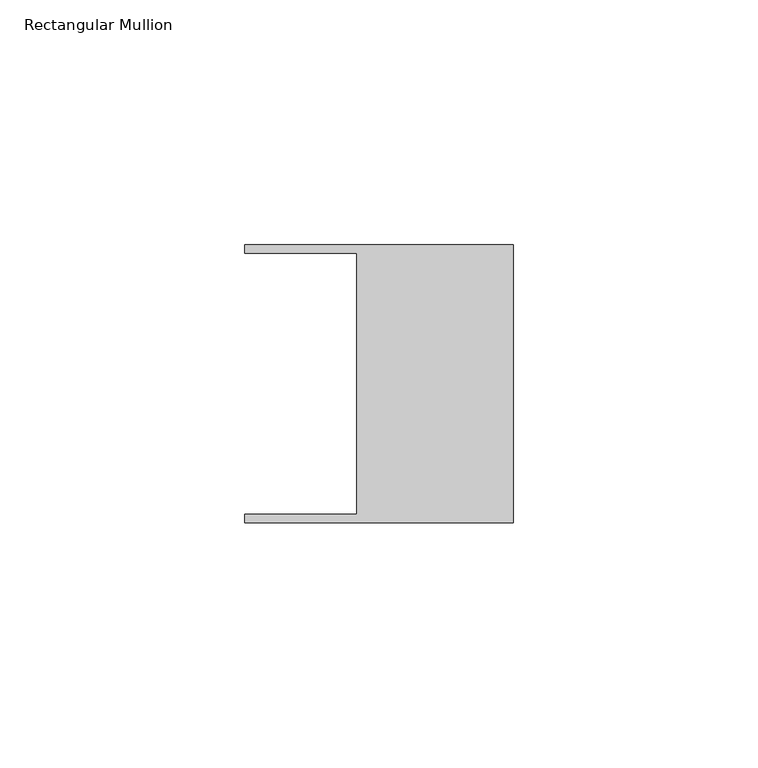
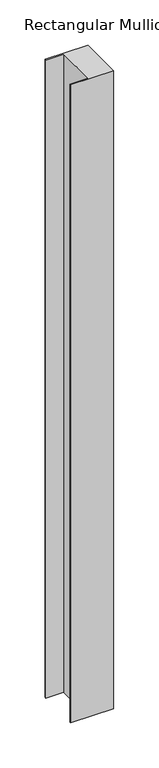
"""IFC4 building model written with IfcOpenShell, lengths in millimetres: member geometry, Rectangular Mullion."""

from ifc_helpers import new_model, si_unit, frame, origin, place, context, project, spatial, polyline, outline, extrude, source, transform, mapped, element, save


def rectangular_mullion_c630d20b(model_context):
    return source(origin(), model_context, "Body", "SweptSolid", [
        extrude(outline(polyline([(-32.004, 26.67), (-54.991, 26.67), (-54.991, 28.448), (0.0, 28.448), (0.0, -28.448), (-54.991, -28.448), (-54.991, -26.67), (-32.004, -26.67), (-32.004, 26.67)])), frame((0.0, 0.0, -861.9785316), z_axis=(0.0, 0.0, 1.0), x_axis=(1.0, 0.0, 0.0)), (0.0, 0.0, 1.0), 861.9785316),
    ])


if __name__ == "__main__":
    model = new_model("IFC4")
    model_context = context("Model", 3, world=origin())
    ifc_project = project(units=[si_unit("LENGTHUNIT", "METRE", prefix="MILLI")], contexts=[model_context])
    site = spatial("IfcSite", under=ifc_project)
    building = spatial("IfcBuilding", under=site)
    placement = place(None, origin())
    rectangular_mullion_shape = rectangular_mullion_c630d20b(model_context)
    element("IfcMember", 1, ObjectType="Rectangular Mullion", at=placement, inside=building, context=model_context, shape_type="MappedRepresentation", body=[
        mapped(rectangular_mullion_shape, transform((0.0, 0.0, 0.0), x_axis=(1.0, 0.0, 0.0), y_axis=(0.0, 1.0, 0.0), z_axis=(0.0, 0.0, 1.0))),
    ])
    save(model, "model.ifc")
